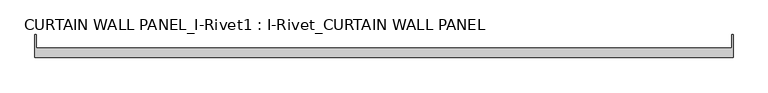
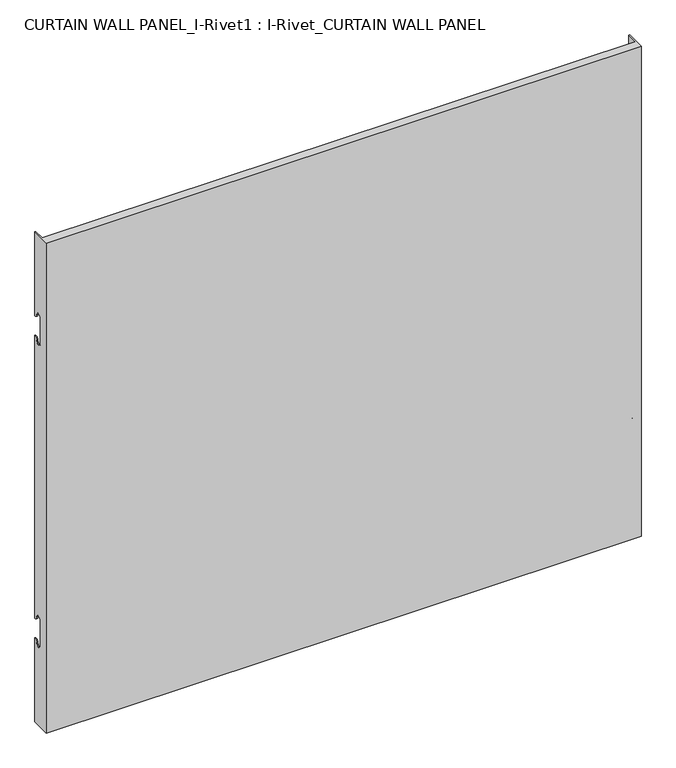
"""IFC4 building model written with IfcOpenShell, lengths in millimetres: plate geometry, CURTAIN WALL PANEL_I-Rivet1 : I-Rivet_CURTAIN WALL PANEL."""

from ifc_helpers import new_model, si_unit, frame, origin, place, context, project, spatial, polyline, circle_curve, source, transform, mapped, element, save
from ifc_brep_helpers import plane_surface, cylinder_surface, revolved_surface, advanced_brep


def curtain_wall_panel_i_rivet1_i_rivet_curtain_wall_panel_2499e985(model_context):
    return source(origin(), model_context, "Body", "AdvancedBrep", [
        advanced_brep(
        [(-600.0, -85.0, 1045.0), (600.0, -85.0, 1045.0), (600.0, -45.3384103, 1045.0), (598.0, -45.3384103, 1045.0), (598.0, -68.0, 1045.0), (-598.0, -68.0, 1045.0), (-598.0, -45.3384103, 1045.0), (-600.0, -45.3384103, 1045.0), (-600.0, -85.0, 0.0), (-600.0, -45.3384103, 0.0), (-598.0, -45.3384103, 0.0), (-598.0, -68.0, 0.0), (598.0, -68.0, 0.0), (598.0, -45.3384103, 0.0), (600.0, -45.3384103, 0.0), (600.0, -85.0, 0.0), (-600.0, -45.3384103, 866.0), (-600.0, -52.3384103, 873.0), (-600.0, -63.3384103, 873.0), (-600.0, -63.3384103, 817.0), (-600.0, -52.3384103, 817.0), (-600.0, -45.3384103, 824.0), (-600.0, -45.3384103, 221.0), (-600.0, -52.3384103, 228.0), (-600.0, -63.3384103, 228.0), (-600.0, -63.3384103, 172.0), (-600.0, -52.3384103, 172.0), (-600.0, -45.3384103, 179.0), (-598.0, -45.3384103, 179.0), (-598.0, -45.3384103, 824.0), (-598.0, -45.3384103, 221.0), (-598.0, -45.3384103, 866.0), (600.0, -45.3384103, 866.0), (598.0, -45.3384103, 866.0), (598.0, -45.3384103, 179.0), (600.0, -45.3384103, 179.0), (598.0, -45.3384103, 221.0), (598.0, -45.3384103, 824.0), (600.0, -45.3384103, 824.0), (600.0, -45.3384103, 221.0), (600.0, -52.3384103, 172.0), (600.0, -63.3384103, 172.0), (600.0, -63.3384103, 228.0), (600.0, -52.3384103, 228.0), (600.0, -52.3384103, 817.0), (600.0, -63.3384103, 817.0), (600.0, -63.3384103, 873.0), (600.0, -52.3384103, 873.0), (-598.0, -52.3384103, 172.0), (-598.0, -63.3384103, 172.0), (-598.0, -63.3384103, 228.0), (-598.0, -52.3384103, 228.0), (-598.0, -52.3384103, 817.0), (-598.0, -63.3384103, 817.0), (-598.0, -63.3384103, 873.0), (-598.0, -52.3384103, 873.0), (598.0, -52.3384103, 873.0), (598.0, -63.3384103, 873.0), (598.0, -63.3384103, 817.0), (598.0, -52.3384103, 817.0), (598.0, -52.3384103, 228.0), (598.0, -63.3384103, 228.0), (598.0, -63.3384103, 172.0), (598.0, -52.3384103, 172.0)],
        [
            (0, 1),
            (1, 2),
            (2, 3),
            (3, 4),
            (4, 5),
            (5, 6),
            (6, 7),
            (7, 0),
            (8, 9),
            (9, 10),
            (10, 11),
            (11, 12),
            (12, 13),
            (13, 14),
            (14, 15),
            (15, 8),
            (7, 16),
            (16, 17, circle_curve(frame((-600.0, -45.3384103, 873.0), z_axis=(-1.0, 0.0, 0.0), x_axis=(0.0, -1.0, 0.0)), 7.0)),
            (17, 18, circle_curve(frame((-600.0, -57.8384103, 873.0), z_axis=(1.0, 0.0, 0.0), x_axis=(0.0, -1.0, 0.0)), 5.5)),
            (18, 19),
            (19, 20, circle_curve(frame((-600.0, -57.8384103, 817.0), z_axis=(1.0, 0.0, 0.0), x_axis=(0.0, -1.0, 0.0)), 5.5)),
            (20, 21, circle_curve(frame((-600.0, -45.3384103, 817.0), z_axis=(-1.0, 0.0, 0.0), x_axis=(0.0, -1.0, 0.0)), 7.0)),
            (21, 22),
            (22, 23, circle_curve(frame((-600.0, -45.3384103, 228.0), z_axis=(-1.0, 0.0, 0.0), x_axis=(0.0, -1.0, 0.0)), 7.0)),
            (23, 24, circle_curve(frame((-600.0, -57.8384103, 228.0), z_axis=(1.0, 0.0, 0.0), x_axis=(0.0, -1.0, 0.0)), 5.5)),
            (24, 25),
            (25, 26, circle_curve(frame((-600.0, -57.8384103, 172.0), z_axis=(1.0, 0.0, 0.0), x_axis=(0.0, -1.0, 0.0)), 5.5)),
            (26, 27, circle_curve(frame((-600.0, -45.3384103, 172.0), z_axis=(-1.0, 0.0, 0.0), x_axis=(0.0, -1.0, 0.0)), 7.0)),
            (27, 9),
            (8, 0),
            (27, 28),
            (28, 10),
            (21, 29),
            (29, 30),
            (30, 22),
            (6, 31),
            (31, 16),
            (2, 32),
            (32, 33),
            (33, 3),
            (13, 34),
            (34, 35),
            (35, 14),
            (36, 37),
            (37, 38),
            (38, 39),
            (39, 36),
            (1, 15),
            (35, 40, circle_curve(frame((600.0, -45.3384103, 172.0), z_axis=(1.0, 0.0, 0.0), x_axis=(0.0, -1.0, 0.0)), 7.0)),
            (40, 41, circle_curve(frame((600.0, -57.8384103, 172.0), z_axis=(-1.0, 0.0, 0.0), x_axis=(0.0, -1.0, 0.0)), 5.5)),
            (41, 42),
            (42, 43, circle_curve(frame((600.0, -57.8384103, 228.0), z_axis=(-1.0, 0.0, 0.0), x_axis=(0.0, -1.0, 0.0)), 5.5)),
            (43, 39, circle_curve(frame((600.0, -45.3384103, 228.0), z_axis=(1.0, 0.0, 0.0), x_axis=(0.0, -1.0, 0.0)), 7.0)),
            (38, 44, circle_curve(frame((600.0, -45.3384103, 817.0), z_axis=(1.0, 0.0, 0.0), x_axis=(0.0, -1.0, 0.0)), 7.0)),
            (44, 45, circle_curve(frame((600.0, -57.8384103, 817.0), z_axis=(-1.0, 0.0, 0.0), x_axis=(0.0, -1.0, 0.0)), 5.5)),
            (45, 46),
            (46, 47, circle_curve(frame((600.0, -57.8384103, 873.0), z_axis=(-1.0, 0.0, 0.0), x_axis=(0.0, -1.0, 0.0)), 5.5)),
            (47, 32, circle_curve(frame((600.0, -45.3384103, 873.0), z_axis=(1.0, 0.0, 0.0), x_axis=(0.0, -1.0, 0.0)), 7.0)),
            (5, 11),
            (28, 48, circle_curve(frame((-598.0, -45.3384103, 172.0), z_axis=(1.0, 0.0, 0.0), x_axis=(0.0, -1.0, 0.0)), 7.0)),
            (48, 49, circle_curve(frame((-598.0, -57.8384103, 172.0), z_axis=(-1.0, 0.0, 0.0), x_axis=(0.0, -1.0, 0.0)), 5.5)),
            (49, 50),
            (50, 51, circle_curve(frame((-598.0, -57.8384103, 228.0), z_axis=(-1.0, 0.0, 0.0), x_axis=(0.0, -1.0, 0.0)), 5.5)),
            (51, 30, circle_curve(frame((-598.0, -45.3384103, 228.0), z_axis=(1.0, 0.0, 0.0), x_axis=(0.0, -1.0, 0.0)), 7.0)),
            (29, 52, circle_curve(frame((-598.0, -45.3384103, 817.0), z_axis=(1.0, 0.0, 0.0), x_axis=(0.0, -1.0, 0.0)), 7.0)),
            (52, 53, circle_curve(frame((-598.0, -57.8384103, 817.0), z_axis=(-1.0, 0.0, 0.0), x_axis=(0.0, -1.0, 0.0)), 5.5)),
            (53, 54),
            (54, 55, circle_curve(frame((-598.0, -57.8384103, 873.0), z_axis=(-1.0, 0.0, 0.0), x_axis=(0.0, -1.0, 0.0)), 5.5)),
            (55, 31, circle_curve(frame((-598.0, -45.3384103, 873.0), z_axis=(1.0, 0.0, 0.0), x_axis=(0.0, -1.0, 0.0)), 7.0)),
            (33, 56, circle_curve(frame((598.0, -45.3384103, 873.0), z_axis=(-1.0, 0.0, 0.0), x_axis=(0.0, -1.0, 0.0)), 7.0)),
            (56, 57, circle_curve(frame((598.0, -57.8384103, 873.0), z_axis=(1.0, 0.0, 0.0), x_axis=(0.0, -1.0, 0.0)), 5.5)),
            (57, 58),
            (58, 59, circle_curve(frame((598.0, -57.8384103, 817.0), z_axis=(1.0, 0.0, 0.0), x_axis=(0.0, -1.0, 0.0)), 5.5)),
            (59, 37, circle_curve(frame((598.0, -45.3384103, 817.0), z_axis=(-1.0, 0.0, 0.0), x_axis=(0.0, -1.0, 0.0)), 7.0)),
            (36, 60, circle_curve(frame((598.0, -45.3384103, 228.0), z_axis=(-1.0, 0.0, 0.0), x_axis=(0.0, -1.0, 0.0)), 7.0)),
            (60, 61, circle_curve(frame((598.0, -57.8384103, 228.0), z_axis=(1.0, 0.0, 0.0), x_axis=(0.0, -1.0, 0.0)), 5.5)),
            (61, 62),
            (62, 63, circle_curve(frame((598.0, -57.8384103, 172.0), z_axis=(1.0, 0.0, 0.0), x_axis=(0.0, -1.0, 0.0)), 5.5)),
            (63, 34, circle_curve(frame((598.0, -45.3384103, 172.0), z_axis=(-1.0, 0.0, 0.0), x_axis=(0.0, -1.0, 0.0)), 7.0)),
            (12, 4),
            (41, 62),
            (61, 42),
            (49, 25),
            (24, 50),
            (40, 63),
            (48, 26),
            (51, 23),
            (43, 60),
            (18, 54),
            (53, 19),
            (57, 46),
            (45, 58),
            (17, 55),
            (56, 47),
            (59, 44),
            (20, 52),
        ],
        [
            plane_surface(frame((-600.0, -45.3384103, 1045.0), z_axis=(0.0, 0.0, 1.0), x_axis=(0.0, 1.0, 0.0))),
            plane_surface(frame((-600.0, -45.3384103, 0.0), z_axis=(0.0, 0.0, -1.0), x_axis=(0.0, -1.0, 0.0))),
            plane_surface(frame((-600.0, -85.0, 1045.0), z_axis=(-1.0, 0.0, 0.0), x_axis=(0.0, 0.0, -1.0))),
            plane_surface(frame((-600.0, -45.3384103, 1045.0), z_axis=(0.0, 1.0, 0.0), x_axis=(0.0, 0.0, -1.0))),
            plane_surface(frame((598.0, -45.3384103, 1045.0), z_axis=(0.0, 1.0, 0.0), x_axis=(0.0, 0.0, -1.0))),
            plane_surface(frame((600.0, -45.3384103, 1045.0), z_axis=(1.0, 0.0, 0.0), x_axis=(0.0, 0.0, -1.0))),
            plane_surface(frame((600.0, -85.0, 1045.0), z_axis=(0.0, -1.0, 0.0), x_axis=(0.0, 0.0, -1.0))),
            plane_surface(frame((-598.0, -45.3384103, 1045.0), z_axis=(1.0, 0.0, 0.0), x_axis=(0.0, 0.0, -1.0))),
            plane_surface(frame((598.0, -68.0, 1045.0), z_axis=(-1.0, 0.0, 0.0), x_axis=(0.0, 0.0, -1.0))),
            plane_surface(frame((-599.0, -68.0, 1045.0), z_axis=(0.0, 1.0, 0.0), x_axis=(0.0, 0.0, -1.0))),
            plane_surface(frame((-600.0, -63.3384103, 228.0), z_axis=(0.0, 1.0, 0.0), x_axis=(1.0, 0.0, 0.0))),
            revolved_surface(polyline([(598.0, -63.3384103, 172.0), (600.0, -63.3384103, 172.0)]), (-600.0, -57.8384103, 172.0), (-1.0, 0.0, 0.0)),
            revolved_surface(polyline([(-600.0, -63.3384103, 172.0), (-598.0, -63.3384103, 172.0)]), (-600.0, -57.8384103, 172.0), (-1.0, 0.0, 0.0)),
            cylinder_surface(frame((-600.0, -45.3384103, 172.0), z_axis=(1.0, 0.0, 0.0), x_axis=(0.0, -1.0, 0.0)), 7.0),
            cylinder_surface(frame((-600.0, -45.3384103, 228.0), z_axis=(1.0, 0.0, 0.0), x_axis=(0.0, -1.0, 0.0)), 7.0),
            revolved_surface(polyline([(-600.0, -63.3384103, 228.0), (-598.0, -63.3384103, 228.0)]), (-600.0, -57.8384103, 228.0), (-1.0, 0.0, 0.0)),
            revolved_surface(polyline([(598.0, -63.3384103, 228.0), (600.0, -63.3384103, 228.0)]), (-600.0, -57.8384103, 228.0), (-1.0, 0.0, 0.0)),
            plane_surface(frame((600.0, -63.3384103, 817.0), z_axis=(0.0, 1.0, 0.0), x_axis=(-1.0, 0.0, 0.0))),
            revolved_surface(polyline([(-598.0, -63.3384103, 873.0), (-600.0, -63.3384103, 873.0)]), (600.0, -57.8384103, 873.0), (1.0, 0.0, 0.0)),
            revolved_surface(polyline([(600.0, -63.3384103, 873.0), (598.0, -63.3384103, 873.0)]), (600.0, -57.8384103, 873.0), (1.0, 0.0, 0.0)),
            cylinder_surface(frame((600.0, -45.3384103, 873.0), z_axis=(-1.0, 0.0, 0.0), x_axis=(0.0, -1.0, 0.0)), 7.0),
            cylinder_surface(frame((600.0, -45.3384103, 817.0), z_axis=(-1.0, 0.0, 0.0), x_axis=(0.0, -1.0, 0.0)), 7.0),
            revolved_surface(polyline([(600.0, -63.3384103, 817.0), (598.0, -63.3384103, 817.0)]), (600.0, -57.8384103, 817.0), (1.0, 0.0, 0.0)),
            revolved_surface(polyline([(-598.0, -63.3384103, 817.0), (-600.0, -63.3384103, 817.0)]), (600.0, -57.8384103, 817.0), (1.0, 0.0, 0.0)),
        ],
        [
            (0, [[1, 2, 3, 4, 5, 6, 7, 8]]),
            (1, [[9, 10, 11, 12, 13, 14, 15, 16]]),
            (2, [[17, 18, 19, 20, 21, 22, 23, 24, 25, 26, 27, 28, 29, -9, 30, -8]]),
            (3, [[-29, 31, 32, -10]]),
            (3, [[-23, 33, 34, 35]]),
            (3, [[36, 37, -17, -7]]),
            (4, [[38, 39, 40, -3]]),
            (4, [[41, 42, 43, -14]]),
            (4, [[44, 45, 46, 47]]),
            (5, [[48, -15, -43, 49, 50, 51, 52, 53, -46, 54, 55, 56, 57, 58, -38, -2]]),
            (6, [[-30, -16, -48, -1]]),
            (7, [[59, -11, -32, 60, 61, 62, 63, 64, -34, 65, 66, 67, 68, 69, -36, -6]]),
            (8, [[-40, 70, 71, 72, 73, 74, -44, 75, 76, 77, 78, 79, -41, -13, 80, -4]]),
            (9, [[-80, -12, -59, -5]]),
            (10, [[-51, 81, -77, 82]]),
            (10, [[-62, 83, -26, 84]]),
            (11, [[-50, 85, -78, -81]]),
            (12, [[-61, 86, -27, -83]]),
            (13, [[-49, -42, -79, -85]]),
            (13, [[-60, -31, -28, -86]]),
            (14, [[-24, -35, -64, 87]]),
            (14, [[-75, -47, -53, 88]]),
            (15, [[-25, -87, -63, -84]]),
            (16, [[-76, -88, -52, -82]]),
            (17, [[-20, 89, -67, 90]]),
            (17, [[-72, 91, -56, 92]]),
            (18, [[-19, 93, -68, -89]]),
            (19, [[-71, 94, -57, -91]]),
            (20, [[-18, -37, -69, -93]]),
            (20, [[-70, -39, -58, -94]]),
            (21, [[-54, -45, -74, 95]]),
            (21, [[-65, -33, -22, 96]]),
            (22, [[-55, -95, -73, -92]]),
            (23, [[-66, -96, -21, -90]]),
        ],
    ),
    ])


if __name__ == "__main__":
    model = new_model("IFC4")
    model_context = context("Model", 3, world=origin())
    ifc_project = project(units=[si_unit("LENGTHUNIT", "METRE", prefix="MILLI")], contexts=[model_context])
    site = spatial("IfcSite", under=ifc_project)
    building = spatial("IfcBuilding", under=site)
    placement = place(None, origin())
    curtain_wall_panel_i_rivet1_i_rivet_curtain_wall_panel_shape = curtain_wall_panel_i_rivet1_i_rivet_curtain_wall_panel_2499e985(model_context)
    element("IfcPlate", 1, ObjectType="CURTAIN WALL PANEL_I-Rivet1 : I-Rivet_CURTAIN WALL PANEL", at=placement, inside=building, context=model_context, shape_type="MappedRepresentation", body=[
        mapped(curtain_wall_panel_i_rivet1_i_rivet_curtain_wall_panel_shape, transform((0.0, 0.0, 0.0), x_axis=(1.0, 0.0, 0.0), y_axis=(0.0, 1.0, 0.0), z_axis=(0.0, 0.0, 1.0))),
    ])
    save(model, "model.ifc")
